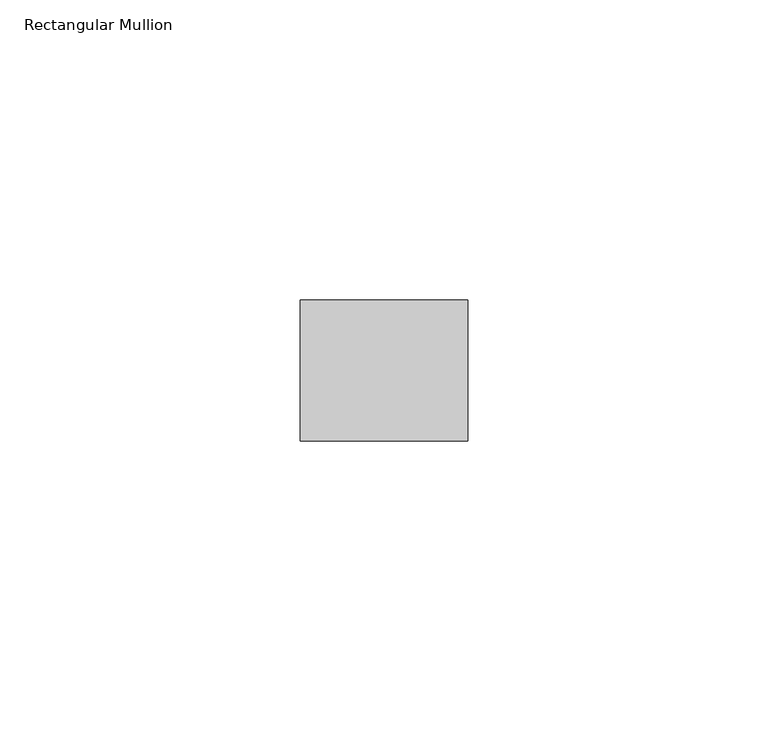
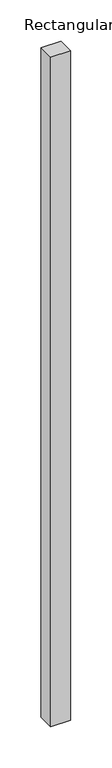
"""IFC4 building model written with IfcOpenShell, lengths in millimetres: member geometry, Rectangular Mullion."""

from ifc_helpers import new_model, si_unit, frame, origin, place, context, project, spatial, polyline, outline, extrude, source, transform, mapped, element, save


def rectangular_mullion_8639d53c(model_context):
    return source(origin(), model_context, "Body", "SweptSolid", [
        extrude(outline(polyline([(0.0, -11.7474999), (-27.94, -11.7474999), (-27.94, 11.7474999), (0.0, 11.7474999), (0.0, -11.7474999)])), frame((0.0, 0.0, -990.6), z_axis=(0.0, 0.0, 1.0), x_axis=(1.0, 0.0, 0.0)), (0.0, 0.0, 1.0), 990.6),
    ])


if __name__ == "__main__":
    model = new_model("IFC4")
    model_context = context("Model", 3, world=origin())
    ifc_project = project(units=[si_unit("LENGTHUNIT", "METRE", prefix="MILLI")], contexts=[model_context])
    site = spatial("IfcSite", under=ifc_project)
    building = spatial("IfcBuilding", under=site)
    placement = place(None, origin())
    rectangular_mullion_shape = rectangular_mullion_8639d53c(model_context)
    element("IfcMember", 1, ObjectType="Rectangular Mullion", at=placement, inside=building, context=model_context, shape_type="MappedRepresentation", body=[
        mapped(rectangular_mullion_shape, transform((0.0, 0.0, 0.0), x_axis=(1.0, 0.0, 0.0), y_axis=(0.0, 1.0, 0.0), z_axis=(0.0, 0.0, 1.0))),
    ])
    save(model, "model.ifc")
